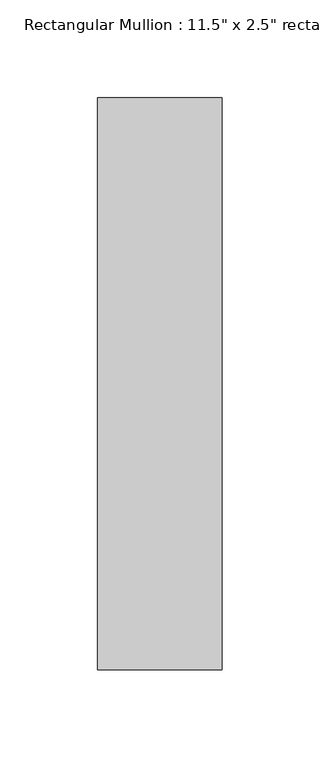
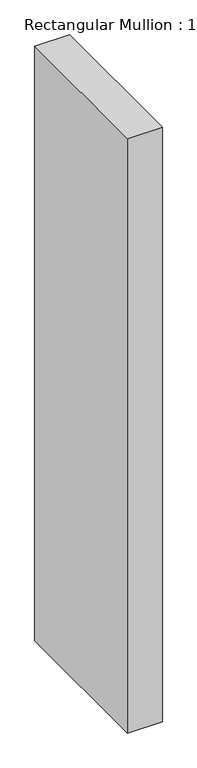
"""IFC4 building model written with IfcOpenShell, lengths in millimetres: member geometry."""

from ifc_helpers import new_model, si_unit, frame, origin, place, context, project, spatial, polyline, outline, extrude, source, transform, mapped, element, save


def member_b01211a0(model_context):
    return source(origin(), model_context, "Body", "SweptSolid", [
        extrude(outline(polyline([(0.0, 203.2), (0.0, -88.9), (-63.5, -88.9), (-63.5, 203.2), (0.0, 203.2)])), frame((0.0, 0.0, -1143.5), z_axis=(0.0, 0.0, 1.0), x_axis=(1.0, 0.0, 0.0)), (0.0, 0.0, 1.0), 1143.5),
    ])


if __name__ == "__main__":
    model = new_model("IFC4")
    model_context = context("Model", 3, world=origin())
    ifc_project = project(units=[si_unit("LENGTHUNIT", "METRE", prefix="MILLI")], contexts=[model_context])
    site = spatial("IfcSite", under=ifc_project)
    building = spatial("IfcBuilding", under=site)
    placement = place(None, origin())
    member_shape = member_b01211a0(model_context)
    element("IfcMember", 1, ObjectType="Rectangular Mullion : 11.5\" x 2.5\" rectangular", at=placement, inside=building, context=model_context, shape_type="MappedRepresentation", body=[
        mapped(member_shape, transform((0.0, 0.0, 0.0), x_axis=(1.0, 0.0, 0.0), y_axis=(0.0, 1.0, 0.0), z_axis=(0.0, 0.0, 1.0))),
    ])
    save(model, "model.ifc")
